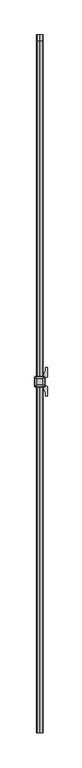
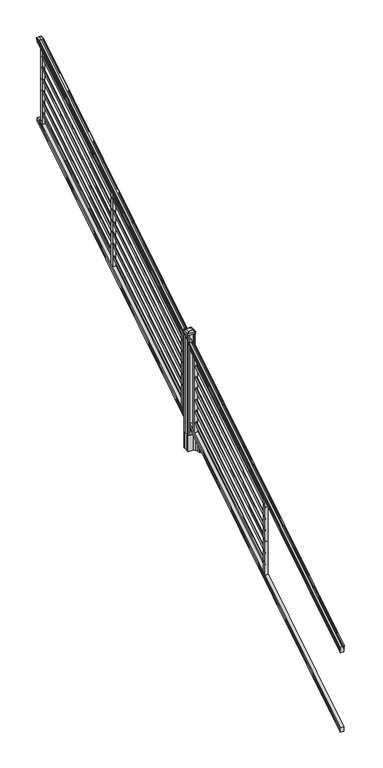
"""IFC4 building model written with IfcOpenShell, lengths in millimetres: railing geometry."""

from ifc_helpers import new_model, si_unit, point, frame, frame_2d, origin, origin_2d, place, context, project, spatial, polyline, circle_curve, ellipse_curve, trimmed, segment, composite_curve, outline, extrude, faceted_brep, source, transform, mapped, element, save
from ifc_brep_helpers import plane_surface, cylinder_surface, revolved_surface, extruded_surface, advanced_brep


def railing_56606c96(model_context):
    return source(origin(), model_context, "Body", "SolidModel", [
        advanced_brep(
        [(7294.632944, -142728.8628453, 1117.9670492), (7297.2067728, -142728.8628453, 1117.9670492), (7297.2067728, -142728.8628453, 1105.3994336), (7296.1907728, -142728.8628453, 1104.201318), (7296.1907728, -142728.8628453, 1089.66), (7327.9407728, -142728.8628453, 1089.66), (7327.9407728, -142728.8628453, 1104.3874214), (7326.9247728, -142728.8628453, 1105.585537), (7326.9247728, -142728.8628453, 1117.9670492), (7329.4986015, -142728.8628453, 1117.9670492), (7329.4986015, -142728.8628453, 1120.1935658), (7330.6287878, -142728.8628453, 1122.0358543), (7330.6287878, -142728.8628453, 1130.5476358), (7329.9795314, -142728.8628453, 1133.4172588), (7332.4795314, -142728.8628453, 1138.5235509), (7333.8888739, -142728.8628453, 1140.5042021), (7334.2907729, -142728.8628453, 1141.8069579), (7334.2907728, -142728.8628453, 1143.3874846), (7332.7373255, -142728.8628453, 1145.2193836), (7312.0657728, -142728.8628453, 1145.2193836), (7291.39422, -142728.8628453, 1145.2193836), (7289.8407728, -142728.8628453, 1143.3874846), (7289.8407728, -142728.8628453, 1141.8069579), (7290.2426717, -142728.8628453, 1140.5042021), (7291.6520141, -142728.8628453, 1138.5235509), (7294.1520141, -142728.8628453, 1133.4172588), (7293.5027577, -142728.8628453, 1130.5476358), (7293.5027577, -142728.8628453, 1122.0358543), (7294.632944, -142728.8628453, 1120.1935658), (7294.632944, -137852.0628453, 4142.6143297), (7294.632944, -137852.0628453, 4144.502412), (7293.5027577, -137852.0628453, 4146.0646695), (7293.5027577, -137852.0628453, 4153.2826458), (7294.1520141, -137852.0628453, 4155.7160812), (7291.6520141, -137852.0628453, 4160.0462082), (7290.2426717, -137852.0628453, 4161.7257972), (7289.8407727, -137852.0628453, 4162.8305318), (7289.8407728, -137852.0628453, 4164.1708158), (7291.39422, -137852.0628453, 4165.724263), (7312.0657728, -137852.0628453, 4165.724263), (7332.7373255, -137852.0628453, 4165.724263), (7334.2907728, -137852.0628453, 4164.1708158), (7334.2907728, -137852.0628453, 4162.8305318), (7333.8888739, -137852.0628453, 4161.7257972), (7332.4795314, -137852.0628453, 4160.0462082), (7329.9795314, -137852.0628453, 4155.7160812), (7330.6287878, -137852.0628453, 4153.2826458), (7330.6287878, -137852.0628453, 4146.0646695), (7329.4986015, -137852.0628453, 4144.502412), (7329.4986015, -137852.0628453, 4142.6143297), (7326.9247728, -137852.0628453, 4142.6143297), (7326.9247728, -137852.0628453, 4132.1148283), (7327.9407728, -137852.0628453, 4131.0988283), (7327.9407728, -137852.0628453, 4118.61), (7296.1907728, -137852.0628453, 4118.61), (7296.1907728, -137852.0628453, 4130.941013), (7297.2067728, -137852.0628453, 4131.957013), (7297.2067728, -137852.0628453, 4142.6143297), (7294.632944, -137889.9686913, 4144.502412), (7294.632944, -137889.4271965, 4142.6143297), (7293.5027577, -137890.4167409, 4146.0646695), (7293.5027577, -137892.4868293, 4153.2826458), (7294.1520141, -137893.1847294, 4155.7160812), (7291.6520141, -137894.4265935, 4160.0462082), (7290.2426717, -137894.9082932, 4161.7257972), (7289.8407727, -137895.2251269, 4162.8305318), (7289.8407728, -137895.6095153, 4164.1708158), (7291.39422, -137896.0550381, 4165.724263), (7312.0657728, -137896.0550381, 4165.724263), (7332.7373255, -137896.0550381, 4165.724263), (7334.2907728, -137895.6095153, 4164.1708158), (7334.2907728, -137895.2251269, 4162.8305318), (7333.8888739, -137894.9082932, 4161.7257972), (7332.4795314, -137894.4265935, 4160.0462082), (7329.9795314, -137893.1847294, 4155.7160812), (7330.6287878, -137892.4868293, 4153.2826458), (7330.6287878, -137890.4167409, 4146.0646695), (7329.4986015, -137889.9686913, 4144.502412), (7329.4986015, -137889.4271965, 4142.6143297), (7326.9247728, -137889.4271965, 4142.6143297), (7326.9247728, -137886.4159791, 4132.1148283), (7327.9407728, -137886.1245941, 4131.0988283), (7327.9407728, -137882.5428453, 4118.61), (7296.1907728, -137882.5428453, 4118.61), (7296.1907728, -137886.0793333, 4130.941013), (7297.2067728, -137886.3707182, 4131.957013), (7297.2067728, -137889.4271965, 4142.6143297)],
        [
            (0, 1, ellipse_curve(frame((7295.9198584, -142728.8628453, 1117.9670492), z_axis=(0.0, -1.0, 0.0), x_axis=(0.0, 0.0, -1.0)), 1.5175907, 1.2869144)),
            (1, 2),
            (2, 3),
            (3, 4),
            (4, 5),
            (5, 6),
            (6, 7),
            (7, 8),
            (8, 9, ellipse_curve(frame((7328.2116871, -142728.8628453, 1117.9670492), z_axis=(0.0, -1.0, 0.0), x_axis=(0.0, 0.0, -1.0)), 1.5175907, 1.2869144)),
            (9, 10),
            (10, 11, ellipse_curve(frame((7323.1838482, -142728.8628453, 1126.9839405), z_axis=(0.0, -1.0, 0.0), x_axis=(0.0, 0.0, -1.0)), 10.0777926, 8.545951)),
            (11, 12, ellipse_curve(frame((7323.6209112, -142728.8628453, 1126.2917451), z_axis=(0.0, -1.0, 0.0), x_axis=(0.0, 0.0, -1.0)), 9.2955186, 7.882584)),
            (12, 13, ellipse_curve(frame((7334.1342353, -142728.8628453, 1133.1875077), z_axis=(0.0, 1.0, 0.0), x_axis=(0.0, 0.0, 1.0)), 4.9048088, 4.1592695)),
            (13, 14, ellipse_curve(frame((7335.4215419, -142728.8628453, 1133.1163208), z_axis=(0.0, 1.0, 0.0), x_axis=(0.0, 0.0, 1.0)), 6.4245301, 5.4479907)),
            (14, 15, ellipse_curve(frame((7334.1883834, -142728.8628453, 1138.5202333), z_axis=(0.0, 1.0, 0.0), x_axis=(0.0, 0.0, 1.0)), 2.0151625, 1.7088543)),
            (15, 16, ellipse_curve(frame((7332.5714833, -142728.8628453, 1141.8069579), z_axis=(0.0, -1.0, 0.0), x_axis=(0.0, 0.0, -1.0)), 2.0274681, 1.7192895)),
            (16, 17),
            (17, 18, ellipse_curve(frame((7332.7373255, -142728.8628453, 1143.3874846), z_axis=(0.0, -1.0, 0.0), x_axis=(0.0, 0.0, -1.0)), 1.831899, 1.5534472)),
            (18, 19),
            (19, 20),
            (20, 21, ellipse_curve(frame((7291.39422, -142728.8628453, 1143.3874846), z_axis=(0.0, -1.0, 0.0), x_axis=(0.0, 0.0, -1.0)), 1.831899, 1.5534472)),
            (21, 22),
            (22, 23, ellipse_curve(frame((7291.5600622, -142728.8628453, 1141.8069579), z_axis=(0.0, -1.0, 0.0), x_axis=(0.0, 0.0, -1.0)), 2.0274681, 1.7192895)),
            (23, 24, ellipse_curve(frame((7289.9431621, -142728.8628453, 1138.5202333), z_axis=(0.0, 1.0, 0.0), x_axis=(0.0, 0.0, 1.0)), 2.0151625, 1.7088543)),
            (24, 25, ellipse_curve(frame((7288.7100037, -142728.8628453, 1133.1163208), z_axis=(0.0, 1.0, 0.0), x_axis=(0.0, 0.0, 1.0)), 6.4245301, 5.4479907)),
            (25, 26, ellipse_curve(frame((7289.9973102, -142728.8628453, 1133.1875077), z_axis=(0.0, 1.0, 0.0), x_axis=(0.0, 0.0, 1.0)), 4.9048088, 4.1592695)),
            (26, 27, ellipse_curve(frame((7300.5106343, -142728.8628453, 1126.2917451), z_axis=(0.0, -1.0, 0.0), x_axis=(0.0, 0.0, -1.0)), 9.2955186, 7.882584)),
            (27, 28, ellipse_curve(frame((7300.9476973, -142728.8628453, 1126.9839405), z_axis=(0.0, -1.0, 0.0), x_axis=(0.0, 0.0, -1.0)), 10.0777926, 8.545951)),
            (28, 0),
            (29, 30),
            (30, 31, circle_curve(frame((7300.9476973, -137852.0628453, 4150.2606383), z_axis=(0.0, 1.0, 0.0), x_axis=(1.0, 0.0, 0.0)), 8.545951)),
            (31, 32, circle_curve(frame((7300.5106343, -137852.0628453, 4149.6736577), z_axis=(0.0, 1.0, 0.0), x_axis=(1.0, 0.0, 0.0)), 7.882584)),
            (32, 33, circle_curve(frame((7289.9973102, -137852.0628453, 4155.5212527), z_axis=(0.0, -1.0, 0.0), x_axis=(1.0, 0.0, 0.0)), 4.1592695)),
            (33, 34, circle_curve(frame((7288.7100037, -137852.0628453, 4155.4608864), z_axis=(0.0, -1.0, 0.0), x_axis=(1.0, 0.0, 0.0)), 5.4479907)),
            (34, 35, circle_curve(frame((7289.9431621, -137852.0628453, 4160.043395), z_axis=(0.0, -1.0, 0.0), x_axis=(1.0, 0.0, 0.0)), 1.7088543)),
            (35, 36, circle_curve(frame((7291.5600622, -137852.0628453, 4162.8305318), z_axis=(0.0, 1.0, 0.0), x_axis=(1.0, 0.0, 0.0)), 1.7192895)),
            (36, 37),
            (37, 38, circle_curve(frame((7291.39422, -137852.0628453, 4164.1708158), z_axis=(0.0, 1.0, 0.0), x_axis=(1.0, 0.0, 0.0)), 1.5534472)),
            (38, 39),
            (39, 40),
            (40, 41, circle_curve(frame((7332.7373255, -137852.0628453, 4164.1708158), z_axis=(0.0, 1.0, 0.0), x_axis=(-1.0, 0.0, 0.0)), 1.5534472)),
            (41, 42),
            (42, 43, circle_curve(frame((7332.5714833, -137852.0628453, 4162.8305318), z_axis=(0.0, 1.0, 0.0), x_axis=(-1.0, 0.0, 0.0)), 1.7192895)),
            (43, 44, circle_curve(frame((7334.1883834, -137852.0628453, 4160.043395), z_axis=(0.0, -1.0, 0.0), x_axis=(-1.0, 0.0, 0.0)), 1.7088543)),
            (44, 45, circle_curve(frame((7335.4215419, -137852.0628453, 4155.4608864), z_axis=(0.0, -1.0, 0.0), x_axis=(-1.0, 0.0, 0.0)), 5.4479907)),
            (45, 46, circle_curve(frame((7334.1342353, -137852.0628453, 4155.5212527), z_axis=(0.0, -1.0, 0.0), x_axis=(-1.0, 0.0, 0.0)), 4.1592695)),
            (46, 47, circle_curve(frame((7323.6209112, -137852.0628453, 4149.6736577), z_axis=(0.0, 1.0, 0.0), x_axis=(-1.0, 0.0, 0.0)), 7.882584)),
            (47, 48, circle_curve(frame((7323.1838482, -137852.0628453, 4150.2606383), z_axis=(0.0, 1.0, 0.0), x_axis=(-1.0, 0.0, 0.0)), 8.545951)),
            (48, 49),
            (49, 50, circle_curve(frame((7328.2116871, -137852.0628453, 4142.6143297), z_axis=(0.0, 1.0, 0.0), x_axis=(-1.0, 0.0, 0.0)), 1.2869144)),
            (50, 51),
            (51, 52),
            (52, 53),
            (53, 54),
            (54, 55),
            (55, 56),
            (56, 57),
            (57, 29, circle_curve(frame((7295.9198584, -137852.0628453, 4142.6143297), z_axis=(0.0, 1.0, 0.0), x_axis=(1.0, 0.0, 0.0)), 1.2869144)),
            (28, 58),
            (58, 59),
            (59, 0),
            (27, 60),
            (60, 58, ellipse_curve(frame((7300.9476973, -137891.6201289, 4150.2606383), z_axis=(0.0, -0.9612487461643644, -0.2756825130425167), x_axis=(0.0, 0.2756825130425169, -0.9612487461643643)), 8.8904678, 8.545951)),
            (26, 61),
            (61, 60, ellipse_curve(frame((7300.5106343, -137891.4517851, 4149.6736577), z_axis=(0.0, -0.9612487461643644, -0.2756825130425167), x_axis=(0.0, 0.2756825130425169, -0.9612487461643643)), 8.2003581, 7.882584)),
            (25, 62),
            (62, 61, ellipse_curve(frame((7289.9973102, -137893.1288533, 4155.5212527), z_axis=(0.0, 0.9612487461643644, 0.2756825130425167), x_axis=(0.0, -0.2756825130425169, 0.9612487461643643)), 4.326944, 4.1592695)),
            (24, 63),
            (63, 62, ellipse_curve(frame((7288.7100037, -137893.1115404, 4155.4608864), z_axis=(0.0, 0.9612487461643644, 0.2756825130425167), x_axis=(0.0, -0.2756825130425169, 0.9612487461643643)), 5.667618, 5.4479907)),
            (23, 64),
            (64, 63, ellipse_curve(frame((7289.9431621, -137894.4257866, 4160.043395), z_axis=(0.0, 0.9612487461643644, 0.2756825130425167), x_axis=(0.0, -0.2756825130425169, 0.9612487461643643)), 1.7777442, 1.7088543)),
            (22, 65),
            (65, 64, ellipse_curve(frame((7291.5600622, -137895.2251269, 4162.8305318), z_axis=(0.0, -0.9612487461643644, -0.2756825130425167), x_axis=(0.0, 0.2756825130425169, -0.9612487461643643)), 1.7886, 1.7192895)),
            (21, 66),
            (66, 65),
            (20, 67),
            (67, 66, ellipse_curve(frame((7291.39422, -137895.6095153, 4164.1708158), z_axis=(0.0, -0.9612487461643644, -0.2756825130425167), x_axis=(0.0, 0.2756825130425169, -0.9612487461643643)), 1.6160721, 1.5534472)),
            (19, 68),
            (68, 67),
            (18, 69),
            (69, 68),
            (17, 70),
            (70, 69, ellipse_curve(frame((7332.7373255, -137895.6095153, 4164.1708158), z_axis=(0.0, -0.9612487461643644, -0.2756825130425167), x_axis=(0.0, 0.2756825130425169, -0.9612487461643643)), 1.6160721, 1.5534472)),
            (16, 71),
            (71, 70),
            (15, 72),
            (72, 71, ellipse_curve(frame((7332.5714833, -137895.2251269, 4162.8305318), z_axis=(0.0, -0.9612487461643644, -0.2756825130425167), x_axis=(0.0, 0.2756825130425169, -0.9612487461643643)), 1.7886, 1.7192895)),
            (14, 73),
            (73, 72, ellipse_curve(frame((7334.1883834, -137894.4257866, 4160.043395), z_axis=(0.0, 0.9612487461643644, 0.2756825130425167), x_axis=(0.0, -0.2756825130425169, 0.9612487461643643)), 1.7777442, 1.7088543)),
            (13, 74),
            (74, 73, ellipse_curve(frame((7335.4215419, -137893.1115404, 4155.4608864), z_axis=(0.0, 0.9612487461643644, 0.2756825130425167), x_axis=(0.0, -0.2756825130425169, 0.9612487461643643)), 5.667618, 5.4479907)),
            (12, 75),
            (75, 74, ellipse_curve(frame((7334.1342353, -137893.1288533, 4155.5212527), z_axis=(0.0, 0.9612487461643644, 0.2756825130425167), x_axis=(0.0, -0.2756825130425169, 0.9612487461643643)), 4.326944, 4.1592695)),
            (11, 76),
            (76, 75, ellipse_curve(frame((7323.6209112, -137891.4517851, 4149.6736577), z_axis=(0.0, -0.9612487461643644, -0.2756825130425167), x_axis=(0.0, 0.2756825130425169, -0.9612487461643643)), 8.2003581, 7.882584)),
            (10, 77),
            (77, 76, ellipse_curve(frame((7323.1838482, -137891.6201289, 4150.2606383), z_axis=(0.0, -0.9612487461643644, -0.2756825130425167), x_axis=(0.0, 0.2756825130425169, -0.9612487461643643)), 8.8904678, 8.545951)),
            (9, 78),
            (78, 77),
            (8, 79),
            (79, 78, ellipse_curve(frame((7328.2116871, -137889.4271965, 4142.6143297), z_axis=(0.0, -0.9612487461643644, -0.2756825130425167), x_axis=(0.0, 0.2756825130425169, -0.9612487461643643)), 1.3387943, 1.2869144)),
            (7, 80),
            (80, 79),
            (6, 81),
            (81, 80),
            (5, 82),
            (82, 81),
            (4, 83),
            (83, 82),
            (3, 84),
            (84, 83),
            (2, 85),
            (85, 84),
            (1, 86),
            (86, 85),
            (59, 86, ellipse_curve(frame((7295.9198584, -137889.4271965, 4142.6143297), z_axis=(0.0, -0.9612487461643644, -0.2756825130425167), x_axis=(0.0, 0.2756825130425169, -0.9612487461643643)), 1.3387943, 1.2869144)),
            (58, 30),
            (29, 59),
            (60, 31),
            (61, 32),
            (62, 33),
            (63, 34),
            (64, 35),
            (65, 36),
            (66, 37),
            (67, 38),
            (68, 39),
            (69, 40),
            (70, 41),
            (71, 42),
            (72, 43),
            (73, 44),
            (74, 45),
            (75, 46),
            (76, 47),
            (77, 48),
            (78, 49),
            (79, 50),
            (80, 51),
            (81, 52),
            (82, 53),
            (83, 54),
            (84, 55),
            (85, 56),
            (86, 57),
        ],
        [
            plane_surface(frame((7312.0657728, -142728.8628453, 1089.66), z_axis=(0.0, -1.0, 0.0), x_axis=(0.0, 0.0, 1.0))),
            plane_surface(frame((7312.0657728, -137852.0628453, 4118.61), z_axis=(0.0, 1.0, 0.0), x_axis=(0.0, 0.0, 1.0))),
            plane_surface(frame((7294.632944, -142728.8628453, 1120.1935658), z_axis=(-1.0000000000000002, 0.0, 0.0), x_axis=(0.0, 0.8479983040051249, 0.5299989400031211))),
            cylinder_surface(frame((7300.9476973, -142745.63765, 1116.4996876), z_axis=(0.0, -0.8479983040051253, -0.5299989400031204), x_axis=(1.0, 0.0, 0.0)), 8.545951),
            cylinder_surface(frame((7300.5106343, -142745.3265509, 1116.001929), z_axis=(0.0, -0.8479983040051253, -0.5299989400031204), x_axis=(1.0, 0.0, 0.0)), 7.882584),
            revolved_surface(polyline([(7294.1565797, -137892.1173076721, 4156.153468716956), (7294.1565797, -142731.06725374944, 1131.8097524191019)]), (7289.9973102, -142748.4257701, 1120.9606797), (0.0, 0.8479983040051253, 0.5299989400031204)),
            revolved_surface(polyline([(7294.1579944000005, -137891.78657425637, 4156.288990189309), (7294.1579944000005, -142731.75027455282, 1131.3116775044994)]), (7288.7100037, -142748.393776, 1120.9094891), (0.0, 0.8479983040051253, 0.5299989400031204)),
            revolved_surface(polyline([(7291.6520164, -137894.01018858227, 4160.303143773098), (7291.6520164, -142729.76853632246, 1137.9541764359478)]), (7289.9431621, -142750.8225007, 1124.7954487), (0.0, 0.8479983040051253, 0.5299989400031204)),
            cylinder_surface(frame((7291.5600622, -142752.2996803, 1127.158936), z_axis=(0.0, -0.8479983040051253, -0.5299989400031204), x_axis=(1.0, 0.0, 0.0)), 1.7192895),
            plane_surface(frame((7289.8407728, -142728.8628453, 1143.3874846), z_axis=(-1.0, 0.0, 0.0), x_axis=(0.0, 0.8479983040051248, 0.5299989400031212))),
            cylinder_surface(frame((7291.39422, -142753.0100294, 1128.2954945), z_axis=(0.0, -0.8479983040051253, -0.5299989400031204), x_axis=(1.0, 0.0, 0.0)), 1.5534472),
            plane_surface(frame((7312.0657728, -142728.8628453, 1145.2193836), z_axis=(0.0, -0.5299989400031198, 0.8479983040051257), x_axis=(0.0, 0.8479983040051257, 0.5299989400031198))),
            plane_surface(frame((7332.7373255, -142728.8628453, 1145.2193836), z_axis=(0.0, -0.5299989400031198, 0.8479983040051257), x_axis=(0.0, 0.8479983040051257, 0.5299989400031198))),
            cylinder_surface(frame((7332.7373255, -142753.0100294, 1128.2954945), z_axis=(0.0, -0.8479983040051253, -0.5299989400031204), x_axis=(-1.0, 0.0, 0.0)), 1.5534472),
            plane_surface(frame((7334.2907728, -142728.8628453, 1141.8069579), z_axis=(1.0, 0.0, 0.0), x_axis=(0.0, 0.8479983040051257, 0.5299989400031198))),
            cylinder_surface(frame((7332.5714833, -142752.2996803, 1127.158936), z_axis=(0.0, -0.8479983040051253, -0.5299989400031204), x_axis=(-1.0, 0.0, 0.0)), 1.7192895),
            revolved_surface(polyline([(7332.4795291, -137894.01018858227, 4160.303143773098), (7332.4795291, -142729.76853632246, 1137.9541764359478)]), (7334.1883834, -142750.8225007, 1124.7954487), (0.0, 0.8479983040051253, 0.5299989400031204)),
            revolved_surface(polyline([(7329.9735512, -137891.78657425637, 4156.288990189309), (7329.9735512, -142731.75027455282, 1131.3116775044994)]), (7335.4215419, -142748.393776, 1120.9094891), (0.0, 0.8479983040051253, 0.5299989400031204)),
            revolved_surface(polyline([(7329.9749658, -137892.1173076721, 4156.153468716956), (7329.9749658, -142731.06725374944, 1131.8097524191019)]), (7334.1342353, -142748.4257701, 1120.9606797), (0.0, 0.8479983040051253, 0.5299989400031204)),
            cylinder_surface(frame((7323.6209112, -142745.3265509, 1116.001929), z_axis=(0.0, -0.8479983040051253, -0.5299989400031204), x_axis=(-1.0, 0.0, 0.0)), 7.882584),
            cylinder_surface(frame((7323.1838482, -142745.63765, 1116.4996876), z_axis=(0.0, -0.8479983040051253, -0.5299989400031204), x_axis=(-1.0, 0.0, 0.0)), 8.545951),
            plane_surface(frame((7329.4986015, -142728.8628453, 1117.9670492), z_axis=(1.0, 0.0, 0.0), x_axis=(0.0, 0.8479983040051253, 0.5299989400031203))),
            cylinder_surface(frame((7328.2116871, -142741.5851146, 1110.0156309), z_axis=(0.0, -0.8479983040051253, -0.5299989400031204), x_axis=(-1.0, 0.0, 0.0)), 1.2869144),
            plane_surface(frame((7326.9247728, -142728.8628453, 1105.585537), z_axis=(1.0000000000000002, 0.0, 0.0), x_axis=(0.0, 0.8479983040051248, 0.5299989400031213))),
            plane_surface(frame((7327.9407728, -142728.8628453, 1104.3874214), z_axis=(0.7071067811865426, -0.3747658444978925, 0.599625351196719), x_axis=(0.0, 0.8479983040051248, 0.5299989400031211))),
            plane_surface(frame((7327.9407728, -142728.8628453, 1089.66), z_axis=(1.0, 0.0, 0.0), x_axis=(0.0, 0.8479983040051252, 0.5299989400031204))),
            plane_surface(frame((7296.1907728, -142728.8628453, 1089.66), z_axis=(0.0, 0.5299989400031204, -0.8479983040051253), x_axis=(0.0, 0.8479983040051253, 0.5299989400031204))),
            plane_surface(frame((7296.1907728, -142728.8628453, 1104.201318), z_axis=(-1.0, 0.0, 0.0), x_axis=(0.0, 0.8479983040051249, 0.529998940003121))),
            plane_surface(frame((7297.2067728, -142728.8628453, 1105.3994336), z_axis=(-0.70710678118654, -0.37476584449789124, 0.5996253511967227), x_axis=(0.0, 0.8479983040051258, 0.5299989400031196))),
            plane_surface(frame((7297.2067728, -142728.8628453, 1117.9670492), z_axis=(-1.0, 0.0, 0.0), x_axis=(0.0, 0.8479983040051253, 0.5299989400031203))),
            cylinder_surface(frame((7295.9198584, -142741.5851146, 1110.0156309), z_axis=(0.0, -0.8479983040051253, -0.5299989400031204), x_axis=(1.0, 0.0, 0.0)), 1.2869144),
            plane_surface(frame((7294.632944, -137889.9686913, 4144.502412), z_axis=(-1.0, 0.0, 0.0), x_axis=(0.0, 1.0, 0.0))),
            cylinder_surface(frame((7300.9476973, -137882.5428453, 4150.2606383), z_axis=(0.0, -1.0, 0.0), x_axis=(1.0, 0.0, 0.0)), 8.545951),
            cylinder_surface(frame((7300.5106343, -137882.5428453, 4149.6736577), z_axis=(0.0, -1.0, 0.0), x_axis=(1.0, 0.0, 0.0)), 7.882584),
            revolved_surface(polyline([(7294.1565797, -137852.0628453, 4155.5212527), (7294.1565797, -137894.32171609573, 4155.5212527)]), (7289.9973102, -137882.5428453, 4155.5212527), (0.0, 1.0, 0.0)),
            revolved_surface(polyline([(7294.1579944000005, -137852.0628453, 4155.4608864), (7294.1579944000005, -137894.6740035732, 4155.4608864)]), (7288.7100037, -137882.5428453, 4155.4608864), (0.0, 1.0, 0.0)),
            revolved_surface(polyline([(7291.6520164, -137852.0628453, 4160.043395), (7291.6520164, -137894.9158795886, 4160.043395)]), (7289.9431621, -137882.5428453, 4160.043395), (0.0, 1.0, 0.0)),
            cylinder_surface(frame((7291.5600622, -137882.5428453, 4162.8305318), z_axis=(0.0, -1.0, 0.0), x_axis=(1.0, 0.0, 0.0)), 1.7192895),
            plane_surface(frame((7289.8407728, -137895.6095153, 4164.1708158), z_axis=(-1.0, 0.0, 0.0), x_axis=(0.0, 1.0, 0.0))),
            cylinder_surface(frame((7291.39422, -137882.5428453, 4164.1708158), z_axis=(0.0, -1.0, 0.0), x_axis=(1.0, 0.0, 0.0)), 1.5534472),
            plane_surface(frame((7312.0657728, -137896.0550381, 4165.724263), z_axis=(0.0, 0.0, 1.0), x_axis=(0.0, 1.0, 0.0))),
            plane_surface(frame((7332.7373255, -137896.0550381, 4165.724263), z_axis=(0.0, 0.0, 1.0), x_axis=(0.0, 1.0, 0.0))),
            cylinder_surface(frame((7332.7373255, -137882.5428453, 4164.1708158), z_axis=(0.0, -1.0, 0.0), x_axis=(-1.0, 0.0, 0.0)), 1.5534472),
            plane_surface(frame((7334.2907728, -137895.2251269, 4162.8305318), z_axis=(1.0, 0.0, 0.0), x_axis=(0.0, 1.0, 0.0))),
            cylinder_surface(frame((7332.5714833, -137882.5428453, 4162.8305318), z_axis=(0.0, -1.0, 0.0), x_axis=(-1.0, 0.0, 0.0)), 1.7192895),
            revolved_surface(polyline([(7332.4795291, -137852.0628453, 4160.043395), (7332.4795291, -137894.9158795886, 4160.043395)]), (7334.1883834, -137882.5428453, 4160.043395), (0.0, 1.0, 0.0)),
            revolved_surface(polyline([(7329.9735512, -137852.0628453, 4155.4608864), (7329.9735512, -137894.6740035732, 4155.4608864)]), (7335.4215419, -137882.5428453, 4155.4608864), (0.0, 1.0, 0.0)),
            revolved_surface(polyline([(7329.9749658, -137852.0628453, 4155.5212527), (7329.9749658, -137894.32171609573, 4155.5212527)]), (7334.1342353, -137882.5428453, 4155.5212527), (0.0, 1.0, 0.0)),
            cylinder_surface(frame((7323.6209112, -137882.5428453, 4149.6736577), z_axis=(0.0, -1.0, 0.0), x_axis=(-1.0, 0.0, 0.0)), 7.882584),
            cylinder_surface(frame((7323.1838482, -137882.5428453, 4150.2606383), z_axis=(0.0, -1.0, 0.0), x_axis=(-1.0, 0.0, 0.0)), 8.545951),
            plane_surface(frame((7329.4986015, -137889.4271965, 4142.6143297), z_axis=(1.0, 0.0, 0.0), x_axis=(0.0, 1.0, 0.0))),
            cylinder_surface(frame((7328.2116871, -137882.5428453, 4142.6143297), z_axis=(0.0, -1.0, 0.0), x_axis=(-1.0, 0.0, 0.0)), 1.2869144),
            plane_surface(frame((7326.9247728, -137886.4159791, 4132.1148283), z_axis=(1.0, 0.0, 0.0), x_axis=(0.0, 1.0, 0.0))),
            plane_surface(frame((7327.9407728, -137886.1245941, 4131.0988283), z_axis=(0.7071067811865435, 0.0, 0.7071067811865517), x_axis=(0.0, 1.0, 0.0))),
            plane_surface(frame((7327.9407728, -137882.5428453, 4118.61), z_axis=(1.0, 0.0, 0.0), x_axis=(0.0, 1.0, 0.0))),
            plane_surface(frame((7296.1907728, -137882.5428453, 4118.61), z_axis=(0.0, 0.0, -1.0), x_axis=(0.0, 1.0, 0.0))),
            plane_surface(frame((7296.1907728, -137886.0793333, 4130.941013), z_axis=(-1.0, 0.0, 0.0), x_axis=(0.0, 1.0, 0.0))),
            plane_surface(frame((7297.2067728, -137886.3707182, 4131.957013), z_axis=(-0.7071067811865391, 0.0, 0.707106781186556), x_axis=(0.0, 1.0, 0.0))),
            plane_surface(frame((7297.2067728, -137889.4271965, 4142.6143297), z_axis=(-1.0, 0.0, 0.0), x_axis=(0.0, 1.0, 0.0))),
            cylinder_surface(frame((7295.9198584, -137882.5428453, 4142.6143297), z_axis=(0.0, -1.0, 0.0), x_axis=(1.0, 0.0, 0.0)), 1.2869144),
        ],
        [
            (0, [[1, 2, 3, 4, 5, 6, 7, 8, 9, 10, 11, 12, 13, 14, 15, 16, 17, 18, 19, 20, 21, 22, 23, 24, 25, 26, 27, 28, 29]]),
            (1, [[30, 31, 32, 33, 34, 35, 36, 37, 38, 39, 40, 41, 42, 43, 44, 45, 46, 47, 48, 49, 50, 51, 52, 53, 54, 55, 56, 57, 58]]),
            (2, [[-29, 59, 60, 61]]),
            (3, [[-28, 62, 63, -59]]),
            (4, [[-27, 64, 65, -62]]),
            (5, [[-26, 66, 67, -64]]),
            (6, [[-25, 68, 69, -66]]),
            (7, [[-24, 70, 71, -68]]),
            (8, [[-23, 72, 73, -70]]),
            (9, [[-22, 74, 75, -72]]),
            (10, [[-21, 76, 77, -74]]),
            (11, [[-20, 78, 79, -76]]),
            (12, [[-19, 80, 81, -78]]),
            (13, [[-18, 82, 83, -80]]),
            (14, [[-17, 84, 85, -82]]),
            (15, [[-16, 86, 87, -84]]),
            (16, [[-15, 88, 89, -86]]),
            (17, [[-14, 90, 91, -88]]),
            (18, [[-13, 92, 93, -90]]),
            (19, [[-12, 94, 95, -92]]),
            (20, [[-11, 96, 97, -94]]),
            (21, [[-10, 98, 99, -96]]),
            (22, [[-9, 100, 101, -98]]),
            (23, [[-8, 102, 103, -100]]),
            (24, [[-7, 104, 105, -102]]),
            (25, [[-6, 106, 107, -104]]),
            (26, [[-5, 108, 109, -106]]),
            (27, [[-4, 110, 111, -108]]),
            (28, [[-3, 112, 113, -110]]),
            (29, [[-2, 114, 115, -112]]),
            (30, [[-1, -61, 116, -114]]),
            (31, [[-60, 117, -30, 118]]),
            (32, [[-63, 119, -31, -117]]),
            (33, [[-65, 120, -32, -119]]),
            (34, [[-67, 121, -33, -120]]),
            (35, [[-69, 122, -34, -121]]),
            (36, [[-71, 123, -35, -122]]),
            (37, [[-73, 124, -36, -123]]),
            (38, [[-75, 125, -37, -124]]),
            (39, [[-77, 126, -38, -125]]),
            (40, [[-79, 127, -39, -126]]),
            (41, [[-81, 128, -40, -127]]),
            (42, [[-83, 129, -41, -128]]),
            (43, [[-85, 130, -42, -129]]),
            (44, [[-87, 131, -43, -130]]),
            (45, [[-89, 132, -44, -131]]),
            (46, [[-91, 133, -45, -132]]),
            (47, [[-93, 134, -46, -133]]),
            (48, [[-95, 135, -47, -134]]),
            (49, [[-97, 136, -48, -135]]),
            (50, [[-99, 137, -49, -136]]),
            (51, [[-101, 138, -50, -137]]),
            (52, [[-103, 139, -51, -138]]),
            (53, [[-105, 140, -52, -139]]),
            (54, [[-107, 141, -53, -140]]),
            (55, [[-109, 142, -54, -141]]),
            (56, [[-111, 143, -55, -142]]),
            (57, [[-113, 144, -56, -143]]),
            (58, [[-115, 145, -57, -144]]),
            (59, [[-116, -118, -58, -145]]),
        ],
    ),
        faceted_brep([(7296.1532859, -142728.8628453, 325.4465079), (7296.1532859, -142728.8628453, 310.642), (7327.9032859, -142728.8628453, 310.642), (7327.9032859, -142728.8628453, 325.4268772), (7326.8872859, -142728.8628453, 327.0168303), (7326.8872859, -142728.8628453, 339.1768741), (7327.9032859, -142728.8628453, 340.7668272), (7327.9032859, -142728.8628453, 355.5664744), (7296.1532859, -142728.8628453, 355.5664744), (7296.1532859, -142728.8628453, 340.7864579), (7297.1692859, -142728.8628453, 339.1965048), (7297.1692859, -142728.8628453, 326.980026), (7296.1532859, -137852.0628453, 3352.1461976), (7297.1692859, -137852.0628453, 3353.4466183), (7297.1692859, -137852.0628453, 3363.8061717), (7296.1532859, -137852.0628453, 3365.1544492), (7296.1532859, -137852.0628453, 3377.6878781), (7327.9032859, -137852.0628453, 3377.6878781), (7327.9032859, -137852.0628453, 3365.1378024), (7326.8872859, -137852.0628453, 3363.7895248), (7326.8872859, -137852.0628453, 3353.4778283), (7327.9032859, -137852.0628453, 3352.1295508), (7327.9032859, -137852.0628453, 3339.592), (7296.1532859, -137852.0628453, 3339.592), (7297.1692859, -137886.5162975, 3353.4466183), (7296.1532859, -137886.1433418, 3352.1461976), (7297.1692859, -137889.4873783, 3363.8061717), (7296.1532859, -137889.8740593, 3365.1544492), (7296.1532859, -137893.4685994, 3377.6878781), (7327.9032859, -137893.4685994, 3377.6878781), (7327.9032859, -137889.869285, 3365.1378024), (7326.8872859, -137889.4826041, 3363.7895248), (7326.8872859, -137886.5252485, 3353.4778283), (7327.9032859, -137886.1385675, 3352.1295508), (7327.9032859, -137882.5428453, 3339.592), (7296.1532859, -137882.5428453, 3339.592)], [[[0, 1, 2, 3, 4, 5, 6, 7, 8, 9, 10, 11]], [[12, 13, 14, 15, 16, 17, 18, 19, 20, 21, 22, 23]], [[0, 11, 24, 25]], [[11, 10, 26, 24]], [[10, 9, 27, 26]], [[9, 8, 28, 27]], [[8, 7, 29, 28]], [[7, 6, 30, 29]], [[6, 5, 31, 30]], [[5, 4, 32, 31]], [[4, 3, 33, 32]], [[3, 2, 34, 33]], [[2, 1, 35, 34]], [[1, 0, 25, 35]], [[25, 24, 13, 12]], [[24, 26, 14, 13]], [[26, 27, 15, 14]], [[27, 28, 16, 15]], [[28, 29, 17, 16]], [[29, 30, 18, 17]], [[30, 31, 19, 18]], [[31, 32, 20, 19]], [[32, 33, 21, 20]], [[33, 34, 22, 21]], [[34, 35, 23, 22]], [[35, 25, 12, 23]]]),
        extrude(outline(polyline([(-137904.3868453, 3364.0353781), (-137929.7868453, 3348.1603781), (-137929.7868453, 4089.0825), (-137904.3868453, 4104.9575), (-137904.3868453, 3364.0353781)])), frame((7299.3657728, 0.0, 0.0), z_axis=(1.0, 0.0, 0.0), x_axis=(0.0, 1.0, 0.0)), (0.0, 0.0, 1.0), 25.4),
        extrude(outline(composite_curve([segment(trimmed(circle_curve(origin_2d(), 8.001), [point((0.0, -8.001))], [point((0.0, 8.001))], False, "CARTESIAN"), True, "CONTINUOUS"), segment(trimmed(circle_curve(origin_2d(), 8.001), [point((0.0, 8.001))], [point((0.0, -8.001))], False, "CARTESIAN"), True, "CONTINUOUS")], self_intersect=False)), frame((7312.3759347, -139055.0068453, 2745.9796159), z_axis=(0.0, 0.8479983040051253, 0.5299989400031202), x_axis=(-1.0, 0.0, 0.0)), (0.0, 0.0, 1.0), 1347.8800542),
        extrude(outline(composite_curve([segment(trimmed(circle_curve(origin_2d(), 8.001), [point((0.0, -8.001))], [point((0.0, 8.001))], False, "CARTESIAN"), True, "CONTINUOUS"), segment(trimmed(circle_curve(origin_2d(), 8.001), [point((0.0, 8.001))], [point((0.0, -8.001))], False, "CARTESIAN"), True, "CONTINUOUS")], self_intersect=False)), frame((7312.3759347, -139055.0068453, 2857.1695274), z_axis=(0.0, 0.8479983040051253, 0.5299989400031202), x_axis=(-1.0, 0.0, 0.0)), (0.0, 0.0, 1.0), 1347.8800542),
        extrude(outline(composite_curve([segment(trimmed(circle_curve(origin_2d(), 8.001), [point((0.0, -8.001))], [point((0.0, 8.001))], False, "CARTESIAN"), True, "CONTINUOUS"), segment(trimmed(circle_curve(origin_2d(), 8.001), [point((0.0, 8.001))], [point((0.0, -8.001))], False, "CARTESIAN"), True, "CONTINUOUS")], self_intersect=False)), frame((7312.3759347, -139055.0068453, 2968.359439), z_axis=(0.0, 0.8479983040051254, 0.5299989400031202), x_axis=(-1.0, 0.0, 0.0)), (0.0, 0.0, 1.0), 1347.8800542),
        extrude(outline(composite_curve([segment(trimmed(circle_curve(origin_2d(), 8.001), [point((0.0, -8.001))], [point((0.0, 8.001))], False, "CARTESIAN"), True, "CONTINUOUS"), segment(trimmed(circle_curve(origin_2d(), 8.001), [point((0.0, 8.001))], [point((0.0, -8.001))], False, "CARTESIAN"), True, "CONTINUOUS")], self_intersect=False)), frame((7312.3759347, -139055.0068453, 3079.5493506), z_axis=(0.0, 0.8479983040051254, 0.5299989400031202), x_axis=(-1.0, 0.0, 0.0)), (0.0, 0.0, 1.0), 1347.8800542),
        extrude(outline(composite_curve([segment(trimmed(circle_curve(origin_2d(), 8.001), [point((0.0, -8.001))], [point((0.0, 8.001))], False, "CARTESIAN"), True, "CONTINUOUS"), segment(trimmed(circle_curve(origin_2d(), 8.001), [point((0.0, 8.001))], [point((0.0, -8.001))], False, "CARTESIAN"), True, "CONTINUOUS")], self_intersect=False)), frame((7312.3759347, -139055.0068453, 3190.7392622), z_axis=(0.0, 0.8479983040051253, 0.5299989400031203), x_axis=(-1.0, 0.0, 0.0)), (0.0, 0.0, 1.0), 1347.8800542),
        extrude(outline(composite_curve([segment(trimmed(circle_curve(origin_2d(), 8.001), [point((0.0, -8.001))], [point((0.0, 8.001))], False, "CARTESIAN"), True, "CONTINUOUS"), segment(trimmed(circle_curve(origin_2d(), 8.001), [point((0.0, 8.001))], [point((0.0, -8.001))], False, "CARTESIAN"), True, "CONTINUOUS")], self_intersect=False)), frame((7312.3759347, -139055.0068453, 3301.9291737), z_axis=(0.0, 0.8479983040051253, 0.5299989400031203), x_axis=(-1.0, 0.0, 0.0)), (0.0, 0.0, 1.0), 1347.8800542),
        extrude(outline(polyline([(-139037.2268453, 2656.0103781), (-139062.6268453, 2640.1353781), (-139062.6268453, 3381.0575), (-139037.2268453, 3396.9325), (-139037.2268453, 2656.0103781)])), frame((7299.3657728, 0.0, 0.0), z_axis=(1.0, 0.0, 0.0), x_axis=(0.0, 1.0, 0.0)), (0.0, 0.0, 1.0), 25.4),
        extrude(outline(composite_curve([segment(trimmed(circle_curve(origin_2d(), 8.001), [point((0.0, -8.001))], [point((0.0, 8.001))], False, "CARTESIAN"), True, "CONTINUOUS"), segment(trimmed(circle_curve(origin_2d(), 8.001), [point((0.0, 8.001))], [point((0.0, -8.001))], False, "CARTESIAN"), True, "CONTINUOUS")], self_intersect=False)), frame((7312.3759347, -140187.8468453, 2037.9546159), z_axis=(0.0, 0.8479983040051253, 0.5299989400031202), x_axis=(-1.0, 0.0, 0.0)), (0.0, 0.0, 1.0), 1347.8800542),
        extrude(outline(composite_curve([segment(trimmed(circle_curve(origin_2d(), 8.001), [point((0.0, -8.001))], [point((0.0, 8.001))], False, "CARTESIAN"), True, "CONTINUOUS"), segment(trimmed(circle_curve(origin_2d(), 8.001), [point((0.0, 8.001))], [point((0.0, -8.001))], False, "CARTESIAN"), True, "CONTINUOUS")], self_intersect=False)), frame((7312.3759347, -140187.8468453, 2149.1445274), z_axis=(0.0, 0.8479983040051253, 0.5299989400031202), x_axis=(-1.0, 0.0, 0.0)), (0.0, 0.0, 1.0), 1347.8800542),
        extrude(outline(composite_curve([segment(trimmed(circle_curve(origin_2d(), 8.001), [point((0.0, -8.001))], [point((0.0, 8.001))], False, "CARTESIAN"), True, "CONTINUOUS"), segment(trimmed(circle_curve(origin_2d(), 8.001), [point((0.0, 8.001))], [point((0.0, -8.001))], False, "CARTESIAN"), True, "CONTINUOUS")], self_intersect=False)), frame((7312.3759347, -140187.8468453, 2260.334439), z_axis=(0.0, 0.8479983040051254, 0.5299989400031202), x_axis=(-1.0, 0.0, 0.0)), (0.0, 0.0, 1.0), 1347.8800542),
        extrude(outline(composite_curve([segment(trimmed(circle_curve(origin_2d(), 8.001), [point((0.0, -8.001))], [point((0.0, 8.001))], False, "CARTESIAN"), True, "CONTINUOUS"), segment(trimmed(circle_curve(origin_2d(), 8.001), [point((0.0, 8.001))], [point((0.0, -8.001))], False, "CARTESIAN"), True, "CONTINUOUS")], self_intersect=False)), frame((7312.3759347, -140187.8468453, 2371.5243506), z_axis=(0.0, 0.8479983040051254, 0.5299989400031202), x_axis=(-1.0, 0.0, 0.0)), (0.0, 0.0, 1.0), 1347.8800542),
        extrude(outline(composite_curve([segment(trimmed(circle_curve(origin_2d(), 8.001), [point((0.0, -8.001))], [point((0.0, 8.001))], False, "CARTESIAN"), True, "CONTINUOUS"), segment(trimmed(circle_curve(origin_2d(), 8.001), [point((0.0, 8.001))], [point((0.0, -8.001))], False, "CARTESIAN"), True, "CONTINUOUS")], self_intersect=False)), frame((7312.3759347, -140187.8468453, 2482.7142622), z_axis=(0.0, 0.8479983040051253, 0.5299989400031203), x_axis=(-1.0, 0.0, 0.0)), (0.0, 0.0, 1.0), 1347.8800542),
        extrude(outline(composite_curve([segment(trimmed(circle_curve(origin_2d(), 8.001), [point((0.0, -8.001))], [point((0.0, 8.001))], False, "CARTESIAN"), True, "CONTINUOUS"), segment(trimmed(circle_curve(origin_2d(), 8.001), [point((0.0, 8.001))], [point((0.0, -8.001))], False, "CARTESIAN"), True, "CONTINUOUS")], self_intersect=False)), frame((7312.3759347, -140187.8468453, 2593.9041737), z_axis=(0.0, 0.8479983040051253, 0.5299989400031203), x_axis=(-1.0, 0.0, 0.0)), (0.0, 0.0, 1.0), 1347.8800542),
        extrude(outline(polyline([(-140170.0668453, 1947.9853781), (-140195.4668453, 1932.1103781), (-140195.4668453, 2673.0325), (-140170.0668453, 2688.9075), (-140170.0668453, 1947.9853781)])), frame((7299.3657728, 0.0, 0.0), z_axis=(1.0, 0.0, 0.0), x_axis=(0.0, 1.0, 0.0)), (0.0, 0.0, 1.0), 25.4),
        extrude(outline(composite_curve([segment(polyline([(7279.0140228, -140293.3709401), (7279.0140228, -140259.1067504), (7277.4265228, -140258.3447504), (7277.4265228, -140244.8138224), (7280.6407498, -140241.5995953), (7332.3214206, -140241.5995953), (7332.3214206, -140240.6788453), (7327.9710895, -140240.6788453), (7327.9710895, -140239.2245906), (7323.5976348, -140239.2245906), (7323.5976348, -140237.9405668), (7325.264907, -140237.9405668)]), True, "CONTINUOUS"), segment(trimmed(circle_curve(frame_2d((7325.264907, -140221.1973569)), 16.7432099), [point((7325.264907, -140237.9405668))], [point((7341.8870293, -140223.2073636))], True, "CARTESIAN"), True, "CONTINUOUS"), segment(polyline([(7341.8870293, -140223.2073636), (7349.6024736, -140206.1720251)]), True, "CONTINUOUS"), segment(trimmed(circle_curve(frame_2d((7304.5017103, -140189.8999755)), 47.9464123), [point((7349.6024736, -140206.1720251))], [point((7352.4481226, -140189.8999755))], True, "CARTESIAN"), True, "CONTINUOUS"), segment(polyline([(7352.4481226, -140189.8999755), (7352.4481226, -140177.8912359), (7364.6517103, -140177.8912359), (7364.6517103, -140243.1870953), (7346.7050228, -140254.7635116), (7346.7050228, -140258.3447504), (7345.1175228, -140259.1067504), (7345.1175228, -140293.3709401), (7346.7050228, -140294.1329401), (7346.7050228, -140297.714179), (7364.6517103, -140309.2905953), (7364.6517103, -140374.5864547), (7352.4481226, -140374.5864547), (7352.4481226, -140362.5777151)]), True, "CONTINUOUS"), segment(trimmed(circle_curve(frame_2d((7304.5017103, -140362.5777151)), 47.9464123), [point((7352.4481226, -140362.5777151))], [point((7349.6024736, -140346.3056654))], True, "CARTESIAN"), True, "CONTINUOUS"), segment(polyline([(7349.6024736, -140346.3056654), (7341.8870293, -140329.270327)]), True, "CONTINUOUS"), segment(trimmed(circle_curve(frame_2d((7325.264907, -140331.2803337)), 16.7432099), [point((7341.8870293, -140329.270327))], [point((7325.264907, -140314.5371238))], True, "CARTESIAN"), True, "CONTINUOUS"), segment(polyline([(7325.264907, -140314.5371238), (7333.0556192, -140314.5371238), (7333.0556192, -140313.2531), (7327.9710895, -140313.2531), (7327.9710895, -140311.7988453), (7332.3214206, -140311.7988453), (7332.3214206, -140310.8780953), (7280.6407498, -140310.8780953), (7277.4265228, -140307.6638682), (7277.4265228, -140294.1329401), (7279.0140228, -140293.3709401)]), True, "CONTINUOUS")], self_intersect=False), holes=[polyline([(7343.8157728, -140246.0763453), (7342.2282728, -140244.4888453), (7314.8289902, -140244.4888453), (7281.9032728, -140244.4888453), (7280.3157728, -140246.0763453), (7280.3157728, -140306.4013453), (7281.9032728, -140307.9888453), (7314.8289902, -140307.9888453), (7342.2282728, -140307.9888453), (7343.8157728, -140306.4013453), (7343.8157728, -140246.0763453)])]), frame((0.0, 0.0, 1602.74), z_axis=(0.0, 0.0, 1.0), x_axis=(1.0, 0.0, 0.0)), (0.0, 0.0, 1.0), 152.4),
        advanced_brep(
        [(7327.9407728, -140295.2888453, 2768.089263), (7331.1157728, -140292.1138453, 2768.089263), (7331.1157728, -140260.3638453, 2768.089263), (7327.9407728, -140257.1888453, 2768.089263), (7296.1907728, -140257.1888453, 2768.089263), (7293.0157728, -140260.3638453, 2768.089263), (7293.0157728, -140292.1138453, 2768.089263), (7296.1907728, -140295.2888453, 2768.089263), (7344.4507728, -140311.7988453, 2756.786263), (7279.6807728, -140311.7988453, 2756.786263), (7276.5057728, -140308.6238453, 2756.786263), (7276.5057728, -140243.8538453, 2756.786263), (7279.6807728, -140240.6788453, 2756.786263), (7344.4507728, -140240.6788453, 2756.786263), (7347.6257728, -140243.8538453, 2756.786263), (7347.6257728, -140308.6238453, 2756.786263)],
        [
            (0, 1, circle_curve(frame((7327.9407728, -140292.1138453, 2768.089263), z_axis=(0.0, 0.0, 1.0), x_axis=(0.0, 1.0, 0.0)), 3.175)),
            (1, 2),
            (2, 3, circle_curve(frame((7327.9407728, -140260.3638453, 2768.089263), z_axis=(0.0, 0.0, 1.0), x_axis=(0.0, 1.0, 0.0)), 3.175)),
            (3, 4),
            (4, 5, circle_curve(frame((7296.1907728, -140260.3638453, 2768.089263), z_axis=(0.0, 0.0, 1.0), x_axis=(0.0, 1.0, 0.0)), 3.175)),
            (5, 6),
            (6, 7, circle_curve(frame((7296.1907728, -140292.1138453, 2768.089263), z_axis=(0.0, 0.0, 1.0), x_axis=(0.0, 1.0, 0.0)), 3.175)),
            (7, 0),
            (8, 9),
            (9, 10, circle_curve(frame((7279.6807728, -140308.6238453, 2756.786263), z_axis=(0.0, 0.0, -1.0), x_axis=(0.0, 1.0, 0.0)), 3.175)),
            (10, 11),
            (11, 12, circle_curve(frame((7279.6807728, -140243.8538453, 2756.786263), z_axis=(0.0, 0.0, -1.0), x_axis=(0.0, 1.0, 0.0)), 3.175)),
            (12, 13),
            (13, 14, circle_curve(frame((7344.4507728, -140243.8538453, 2756.786263), z_axis=(0.0, 0.0, -1.0), x_axis=(0.0, 1.0, 0.0)), 3.175)),
            (14, 15),
            (15, 8, circle_curve(frame((7344.4507728, -140308.6238453, 2756.786263), z_axis=(0.0, 0.0, -1.0), x_axis=(0.0, 1.0, 0.0)), 3.175)),
            (15, 1),
            (0, 8),
            (14, 2),
            (13, 3),
            (12, 4),
            (11, 5),
            (10, 6),
            (9, 7),
        ],
        [
            plane_surface(frame((7312.0657728, -140276.2388453, 2768.089263), z_axis=(0.0, 0.0, 1.0), x_axis=(1.0, 0.0, 0.0))),
            plane_surface(frame((7312.0657728, -140276.2388453, 2756.786263), z_axis=(0.0, 0.0, -1.0), x_axis=(1.0, 0.0, 0.0))),
            extruded_surface(trimmed(circle_curve(frame((7344.4507728, -140308.6238453, 2756.786263), z_axis=(0.0, 0.0, 1.0), x_axis=(0.0, 1.0, 0.0)), 3.175), [point((7344.4507728, -140311.7988453, 2756.786263))], [point((7347.6257728, -140308.6238453, 2756.786263))], True, "CARTESIAN"), (-16.51000000000022, 16.510000000009313, 11.302999999999884), 25.940663233624388),
            plane_surface(frame((7347.6257728, -140276.2388453, 2756.786263), z_axis=(0.5649114395471265, 0.0, 0.8251515409116033), x_axis=(0.0, 1.0, 0.0))),
            extruded_surface(trimmed(circle_curve(frame((7344.4507728, -140243.8538453, 2756.786263), z_axis=(0.0, 0.0, 1.0), x_axis=(0.0, 1.0, 0.0)), 3.175), [point((7347.6257728, -140243.8538453, 2756.786263))], [point((7344.4507728, -140240.6788453, 2756.786263))], True, "CARTESIAN"), (-16.51000000000022, -16.50999999998021, 11.302999999999884), 25.940663233605864),
            plane_surface(frame((7312.0657728, -140240.6788453, 2756.786263), z_axis=(0.0, 0.564911439547091, 0.8251515409116277), x_axis=(-1.0, 0.0, 0.0))),
            extruded_surface(trimmed(circle_curve(frame((7279.6807728, -140243.8538453, 2756.786263), z_axis=(0.0, 0.0, 1.0), x_axis=(0.0, 1.0, 0.0)), 3.175), [point((7279.6807728, -140240.6788453, 2756.786263))], [point((7276.5057728, -140243.8538453, 2756.786263))], True, "CARTESIAN"), (16.50999999999931, -16.50999999998021, 11.302999999999884), 25.940663233605285),
            plane_surface(frame((7276.5057728, -140276.2388453, 2756.786263), z_axis=(-0.5649114395470569, 0.0, 0.825151540911651), x_axis=(0.0, -1.0, 0.0))),
            extruded_surface(trimmed(circle_curve(frame((7279.6807728, -140308.6238453, 2756.786263), z_axis=(0.0, 0.0, 1.0), x_axis=(0.0, 1.0, 0.0)), 3.175), [point((7276.5057728, -140308.6238453, 2756.786263))], [point((7279.6807728, -140311.7988453, 2756.786263))], True, "CARTESIAN"), (16.50999999999931, 16.510000000009313, 11.302999999999884), 25.94066323362381),
            plane_surface(frame((7312.0657728, -140311.7988453, 2756.786263), z_axis=(0.0, -0.5649114395471048, 0.8251515409116182), x_axis=(1.0, 0.0, 0.0))),
        ],
        [
            (0, [[1, 2, 3, 4, 5, 6, 7, 8]]),
            (1, [[9, 10, 11, 12, 13, 14, 15, 16]]),
            (2, [[-16, 17, -1, 18]]),
            (3, [[-15, 19, -2, -17]]),
            (4, [[-14, 20, -3, -19]]),
            (5, [[-13, 21, -4, -20]]),
            (6, [[-12, 22, -5, -21]]),
            (7, [[-11, 23, -6, -22]]),
            (8, [[-10, 24, -7, -23]]),
            (9, [[-9, -18, -8, -24]]),
        ],
    ),
        extrude(outline(composite_curve([segment(polyline([(7344.4507728, -140311.7988453), (7279.6807728, -140311.7988453)]), True, "CONTINUOUS"), segment(trimmed(circle_curve(frame_2d((7279.6807728, -140308.6238453)), 3.175), [point((7279.6807728, -140311.7988453))], [point((7276.5057728, -140308.6238453))], False, "CARTESIAN"), True, "CONTINUOUS"), segment(polyline([(7276.5057728, -140308.6238453), (7276.5057728, -140243.8538453)]), True, "CONTINUOUS"), segment(trimmed(circle_curve(frame_2d((7279.6807728, -140243.8538453)), 3.175), [point((7276.5057728, -140243.8538453))], [point((7279.6807728, -140240.6788453))], False, "CARTESIAN"), True, "CONTINUOUS"), segment(polyline([(7279.6807728, -140240.6788453), (7344.4507728, -140240.6788453)]), True, "CONTINUOUS"), segment(trimmed(circle_curve(frame_2d((7344.4507728, -140243.8538453)), 3.175), [point((7344.4507728, -140240.6788453))], [point((7347.6257728, -140243.8538453))], False, "CARTESIAN"), True, "CONTINUOUS"), segment(polyline([(7347.6257728, -140243.8538453), (7347.6257728, -140308.6238453)]), True, "CONTINUOUS"), segment(trimmed(circle_curve(frame_2d((7344.4507728, -140308.6238453)), 3.175), [point((7347.6257728, -140308.6238453))], [point((7344.4507728, -140311.7988453))], False, "CARTESIAN"), True, "CONTINUOUS")], self_intersect=False)), frame((0.0, 0.0, 2739.514263), z_axis=(0.0, 0.0, 1.0), x_axis=(1.0, 0.0, 0.0)), (0.0, 0.0, 1.0), 17.272),
        extrude(outline(polyline([(7342.2282728, -140307.9888453), (7331.8777728, -140307.9888453), (7331.1157728, -140306.4013453), (7293.0157728, -140306.4013453), (7292.2537728, -140307.9888453), (7281.9032728, -140307.9888453), (7280.3157728, -140306.4013453), (7280.3157728, -140296.0508453), (7281.9032728, -140295.2888453), (7281.9032728, -140257.1888453), (7280.3157728, -140256.4268453), (7280.3157728, -140246.0763453), (7281.9032728, -140244.4888453), (7292.2537728, -140244.4888453), (7293.0157728, -140246.0763453), (7331.1157728, -140246.0763453), (7331.8777728, -140244.4888453), (7342.2282728, -140244.4888453), (7343.8157728, -140246.0763453), (7343.8157728, -140256.4268453), (7342.2282728, -140257.1888453), (7342.2282728, -140295.2888453), (7343.8157728, -140296.0508453), (7343.8157728, -140306.4013453), (7342.2282728, -140307.9888453)])), frame((0.0, 0.0, 1755.14), z_axis=(0.0, 0.0, 1.0), x_axis=(1.0, 0.0, 0.0)), (0.0, 0.0, 1.0), 984.374263),
        extrude(outline(polyline([(-140357.0108453, 1831.1453781), (-140382.4108453, 1815.2703781), (-140382.4108453, 2556.1925), (-140357.0108453, 2572.0675), (-140357.0108453, 1831.1453781)])), frame((7299.3657728, 0.0, 0.0), z_axis=(1.0, 0.0, 0.0), x_axis=(0.0, 1.0, 0.0)), (0.0, 0.0, 1.0), 25.4),
        extrude(outline(composite_curve([segment(trimmed(circle_curve(origin_2d(), 8.001), [point((0.0, -8.001))], [point((0.0, 8.001))], False, "CARTESIAN"), True, "CONTINUOUS"), segment(trimmed(circle_curve(origin_2d(), 8.001), [point((0.0, 8.001))], [point((0.0, -8.001))], False, "CARTESIAN"), True, "CONTINUOUS")], self_intersect=False)), frame((7312.3759347, -141507.6308453, 1213.0896159), z_axis=(0.0, 0.8479983040051253, 0.5299989400031202), x_axis=(-1.0, 0.0, 0.0)), (0.0, 0.0, 1.0), 1347.8800542),
        extrude(outline(composite_curve([segment(trimmed(circle_curve(origin_2d(), 8.001), [point((0.0, -8.001))], [point((0.0, 8.001))], False, "CARTESIAN"), True, "CONTINUOUS"), segment(trimmed(circle_curve(origin_2d(), 8.001), [point((0.0, 8.001))], [point((0.0, -8.001))], False, "CARTESIAN"), True, "CONTINUOUS")], self_intersect=False)), frame((7312.3759347, -141507.6308453, 1324.2795274), z_axis=(0.0, 0.8479983040051253, 0.5299989400031202), x_axis=(-1.0, 0.0, 0.0)), (0.0, 0.0, 1.0), 1347.8800542),
        extrude(outline(composite_curve([segment(trimmed(circle_curve(origin_2d(), 8.001), [point((0.0, -8.001))], [point((0.0, 8.001))], False, "CARTESIAN"), True, "CONTINUOUS"), segment(trimmed(circle_curve(origin_2d(), 8.001), [point((0.0, 8.001))], [point((0.0, -8.001))], False, "CARTESIAN"), True, "CONTINUOUS")], self_intersect=False)), frame((7312.3759347, -141507.6308453, 1435.469439), z_axis=(0.0, 0.8479983040051254, 0.5299989400031202), x_axis=(-1.0, 0.0, 0.0)), (0.0, 0.0, 1.0), 1347.8800542),
        extrude(outline(composite_curve([segment(trimmed(circle_curve(origin_2d(), 8.001), [point((0.0, -8.001))], [point((0.0, 8.001))], False, "CARTESIAN"), True, "CONTINUOUS"), segment(trimmed(circle_curve(origin_2d(), 8.001), [point((0.0, 8.001))], [point((0.0, -8.001))], False, "CARTESIAN"), True, "CONTINUOUS")], self_intersect=False)), frame((7312.3759347, -141507.6308453, 1546.6593506), z_axis=(0.0, 0.8479983040051254, 0.5299989400031202), x_axis=(-1.0, 0.0, 0.0)), (0.0, 0.0, 1.0), 1347.8800542),
        extrude(outline(composite_curve([segment(trimmed(circle_curve(origin_2d(), 8.001), [point((0.0, -8.001))], [point((0.0, 8.001))], False, "CARTESIAN"), True, "CONTINUOUS"), segment(trimmed(circle_curve(origin_2d(), 8.001), [point((0.0, 8.001))], [point((0.0, -8.001))], False, "CARTESIAN"), True, "CONTINUOUS")], self_intersect=False)), frame((7312.3759347, -141507.6308453, 1657.8492622), z_axis=(0.0, 0.8479983040051253, 0.5299989400031203), x_axis=(-1.0, 0.0, 0.0)), (0.0, 0.0, 1.0), 1347.8800542),
        extrude(outline(composite_curve([segment(trimmed(circle_curve(origin_2d(), 8.001), [point((0.0, -8.001))], [point((0.0, 8.001))], False, "CARTESIAN"), True, "CONTINUOUS"), segment(trimmed(circle_curve(origin_2d(), 8.001), [point((0.0, 8.001))], [point((0.0, -8.001))], False, "CARTESIAN"), True, "CONTINUOUS")], self_intersect=False)), frame((7312.3759347, -141507.6308453, 1769.0391737), z_axis=(0.0, 0.8479983040051253, 0.5299989400031203), x_axis=(-1.0, 0.0, 0.0)), (0.0, 0.0, 1.0), 1347.8800542),
        extrude(outline(polyline([(-141489.8508453, 1123.1203781), (-141515.2508453, 1107.2453781), (-141515.2508453, 1848.1675), (-141489.8508453, 1864.0425), (-141489.8508453, 1123.1203781)])), frame((7299.3657728, 0.0, 0.0), z_axis=(1.0, 0.0, 0.0), x_axis=(0.0, 1.0, 0.0)), (0.0, 0.0, 1.0), 25.4),
    ])


if __name__ == "__main__":
    model = new_model("IFC4")
    model_context = context("Model", 3, world=origin())
    ifc_project = project(units=[si_unit("LENGTHUNIT", "METRE", prefix="MILLI")], contexts=[model_context])
    site = spatial("IfcSite", under=ifc_project)
    building = spatial("IfcBuilding", under=site)
    placement = place(None, origin())
    railing_shape = railing_56606c96(model_context)
    element("IfcRailing", 1, at=placement, inside=building, context=model_context, shape_type="MappedRepresentation", body=[
        mapped(railing_shape, transform((0.0, 0.0, 0.0), x_axis=(1.0, 0.0, 0.0), y_axis=(0.0, 1.0, 0.0), z_axis=(0.0, 0.0, 1.0))),
    ])
    save(model, "model.ifc")
